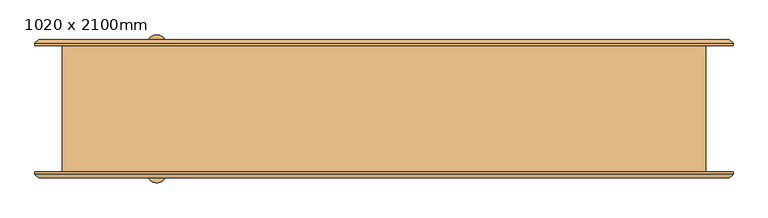
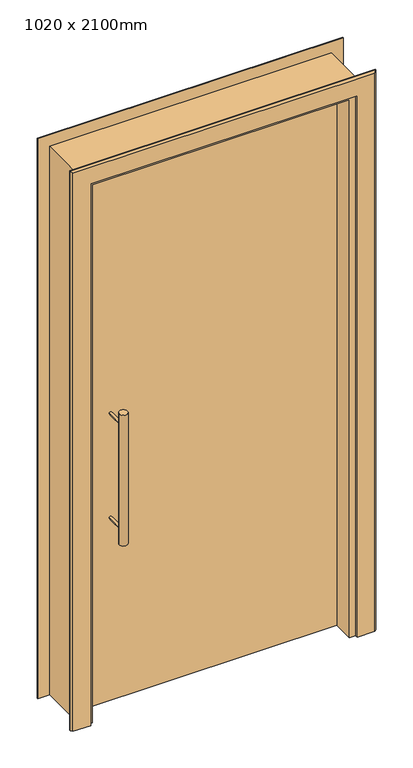
"""IFC4 building model written with IfcOpenShell, lengths in millimetres: door geometry, 1020 x 2100mm."""

from ifc_helpers import new_model, si_unit, point, frame, frame_2d, origin, origin_with_axes, place, context, project, spatial, polyline, circle_curve, trimmed, segment, composite_curve, outline, extrude, faceted_brep, source, transform, mapped, element, save


def door_1020_x_2100mm_f4e2a14d(model_context):
    return source(origin(), model_context, "Body", "SolidModel", [
        extrude(outline(composite_curve([segment(trimmed(circle_curve(frame_2d((-360.0, 102.5)), 15.0), [point((-375.0, 102.5))], [point((-345.0, 102.5))], False, "CARTESIAN"), True, "CONTINUOUS"), segment(trimmed(circle_curve(frame_2d((-360.0, 102.5)), 15.0), [point((-345.0, 102.5))], [point((-375.0, 102.5))], False, "CARTESIAN"), True, "CONTINUOUS")], self_intersect=False)), frame((0.0, 0.0, 650.0), z_axis=(0.0, 0.0, 1.0), x_axis=(1.0, 0.0, 0.0)), (0.0, 0.0, 1.0), 500.0),
        extrude(outline(composite_curve([segment(trimmed(circle_curve(frame_2d((1100.0, -360.0)), 5.0), [point((1100.0, -365.0))], [point((1100.0, -355.0))], False, "CARTESIAN"), True, "CONTINUOUS"), segment(trimmed(circle_curve(frame_2d((1100.0, -360.0)), 5.0), [point((1100.0, -355.0))], [point((1100.0, -365.0))], False, "CARTESIAN"), True, "CONTINUOUS")], self_intersect=False)), frame((0.0, 22.5, 0.0), z_axis=(0.0, 1.0, 0.0), x_axis=(0.0, 0.0, 1.0)), (0.0, 0.0, 1.0), 80.0),
        extrude(outline(composite_curve([segment(trimmed(circle_curve(frame_2d((700.0, -360.0)), 5.0), [point((700.0, -365.0))], [point((700.0, -355.0))], False, "CARTESIAN"), True, "CONTINUOUS"), segment(trimmed(circle_curve(frame_2d((700.0, -360.0)), 5.0), [point((700.0, -355.0))], [point((700.0, -365.0))], False, "CARTESIAN"), True, "CONTINUOUS")], self_intersect=False)), frame((0.0, 22.5, 0.0), z_axis=(0.0, 1.0, 0.0), x_axis=(0.0, 0.0, 1.0)), (0.0, 0.0, 1.0), 80.0),
        extrude(outline(composite_curve([segment(trimmed(circle_curve(frame_2d((1100.0, -360.0)), 5.0), [point((1100.0, -365.0))], [point((1100.0, -355.0))], False, "CARTESIAN"), True, "CONTINUOUS"), segment(trimmed(circle_curve(frame_2d((1100.0, -360.0)), 5.0), [point((1100.0, -355.0))], [point((1100.0, -365.0))], False, "CARTESIAN"), True, "CONTINUOUS")], self_intersect=False)), frame((0.0, -102.5, 0.0), z_axis=(0.0, 1.0, 0.0), x_axis=(0.0, 0.0, 1.0)), (0.0, 0.0, 1.0), 80.0),
        extrude(outline(composite_curve([segment(trimmed(circle_curve(frame_2d((700.0, -360.0)), 5.0), [point((700.0, -365.0))], [point((700.0, -355.0))], False, "CARTESIAN"), True, "CONTINUOUS"), segment(trimmed(circle_curve(frame_2d((700.0, -360.0)), 5.0), [point((700.0, -355.0))], [point((700.0, -365.0))], False, "CARTESIAN"), True, "CONTINUOUS")], self_intersect=False)), frame((0.0, -102.5, 0.0), z_axis=(0.0, 1.0, 0.0), x_axis=(0.0, 0.0, 1.0)), (0.0, 0.0, 1.0), 80.0),
        extrude(outline(composite_curve([segment(trimmed(circle_curve(frame_2d((-360.0, -102.5)), 15.0), [point((-375.0, -102.5))], [point((-345.0, -102.5))], False, "CARTESIAN"), True, "CONTINUOUS"), segment(trimmed(circle_curve(frame_2d((-360.0, -102.5)), 15.0), [point((-345.0, -102.5))], [point((-375.0, -102.5))], False, "CARTESIAN"), True, "CONTINUOUS")], self_intersect=False)), frame((0.0, 0.0, 650.0), z_axis=(0.0, 0.0, 1.0), x_axis=(1.0, 0.0, 0.0)), (0.0, 0.0, 1.0), 500.0),
        extrude(outline(polyline([(470.0, 22.5), (470.0, -22.5), (-470.0, -22.5), (-470.0, 22.5), (470.0, 22.5)])), origin_with_axes(), (0.0, 0.0, 1.0), 2060.0),
        faceted_brep([(-553.0, 104.0, 0.0), (-547.0, 110.0, 0.0), (-483.0, 110.0, 0.0), (-483.0, 100.0, 0.0), (-553.0, 100.0, 0.0), (-553.0, 104.0, 2143.0), (-547.0, 110.0, 2137.0), (547.0, 110.0, 2137.0), (547.0, 110.0, 0.0), (483.0, 110.0, 0.0), (483.0, 110.0, 2073.0), (-483.0, 110.0, 2073.0), (-483.0, 100.0, 2073.0), (483.0, 100.0, 2073.0), (483.0, 100.0, 0.0), (553.0, 100.0, 0.0), (553.0, 100.0, 2143.0), (-553.0, 100.0, 2143.0), (553.0, 104.0, 2143.0), (553.0, 104.0, 0.0)], [[[0, 1, 2, 3, 4]], [[1, 0, 5, 6]], [[2, 1, 6, 7, 8, 9, 10, 11]], [[3, 2, 11, 12]], [[4, 3, 12, 13, 14, 15, 16, 17]], [[0, 4, 17, 5]], [[7, 18, 19, 8]], [[19, 15, 14, 9, 8]], [[13, 10, 9, 14]], [[18, 16, 15, 19]], [[6, 5, 18, 7]], [[12, 11, 10, 13]], [[5, 17, 16, 18]]]),
        faceted_brep([(553.0, -104.0, 0.0), (547.0, -110.0, 0.0), (483.0, -110.0, 0.0), (483.0, -100.0, 0.0), (553.0, -100.0, 0.0), (553.0, -104.0, 2143.0), (547.0, -110.0, 2137.0), (-547.0, -110.0, 2137.0), (-547.0, -110.0, 0.0), (-483.0, -110.0, 0.0), (-483.0, -110.0, 2073.0), (483.0, -110.0, 2073.0), (483.0, -100.0, 2073.0), (-483.0, -100.0, 2073.0), (-483.0, -100.0, 0.0), (-553.0, -100.0, 0.0), (-553.0, -100.0, 2143.0), (553.0, -100.0, 2143.0), (-553.0, -104.0, 2143.0), (-553.0, -104.0, 0.0)], [[[0, 1, 2, 3, 4]], [[1, 0, 5, 6]], [[2, 1, 6, 7, 8, 9, 10, 11]], [[3, 2, 11, 12]], [[4, 3, 12, 13, 14, 15, 16, 17]], [[0, 4, 17, 5]], [[7, 18, 19, 8]], [[19, 15, 14, 9, 8]], [[13, 10, 9, 14]], [[18, 16, 15, 19]], [[6, 5, 18, 7]], [[12, 11, 10, 13]], [[5, 17, 16, 18]]]),
        faceted_brep([(510.0, 100.0, 2100.0), (510.0, -100.0, 2100.0), (510.0, -100.0, 0.0), (510.0, 100.0, 0.0), (-510.0, -100.0, 2100.0), (-510.0, -100.0, 0.0), (-470.0, -100.0, 0.0), (-470.0, -100.0, 2060.0), (460.0, -100.0, 2060.0), (460.0, -100.0, 0.0), (470.0, 100.0, 0.0), (460.0, -22.5, 0.0), (470.0, -22.5, 0.0), (-510.0, 100.0, 0.0), (-510.0, 100.0, 2100.0), (470.0, 100.0, 2060.0), (-460.0, 100.0, 2060.0), (-460.0, 100.0, 0.0), (-460.0, 22.5, 0.0), (-470.0, 22.5, 0.0), (-470.0, 22.5, 2060.0), (460.0, -22.5, 2060.0), (470.0, -22.5, 2060.0), (-460.0, 22.5, 2060.0)], [[[0, 1, 2, 3]], [[4, 5, 6, 7, 8, 9, 2, 1]], [[10, 3, 2, 9, 11, 12]], [[13, 14, 0, 3, 10, 15, 16, 17]], [[4, 14, 13, 5]], [[13, 17, 18, 19, 6, 5]], [[6, 19, 20, 7]], [[11, 9, 8, 21]], [[10, 12, 22, 15]], [[18, 17, 16, 23]], [[12, 11, 21, 22]], [[19, 18, 23, 20]], [[21, 8, 7, 20, 23, 16, 15, 22]], [[1, 0, 14, 4]]]),
    ])


if __name__ == "__main__":
    model = new_model("IFC4")
    model_context = context("Model", 3, world=origin())
    ifc_project = project(units=[si_unit("LENGTHUNIT", "METRE", prefix="MILLI")], contexts=[model_context])
    site = spatial("IfcSite", under=ifc_project)
    building = spatial("IfcBuilding", under=site)
    placement = place(None, origin())
    door_1020_x_2100mm_shape = door_1020_x_2100mm_f4e2a14d(model_context)
    element("IfcDoor", 1, ObjectType="1020 x 2100mm", at=placement, inside=building, context=model_context, shape_type="MappedRepresentation", body=[
        mapped(door_1020_x_2100mm_shape, transform((0.0, 0.0, 0.0), x_axis=(1.0, 0.0, 0.0), y_axis=(0.0, 1.0, 0.0), z_axis=(0.0, 0.0, 1.0))),
    ])
    save(model, "model.ifc")
